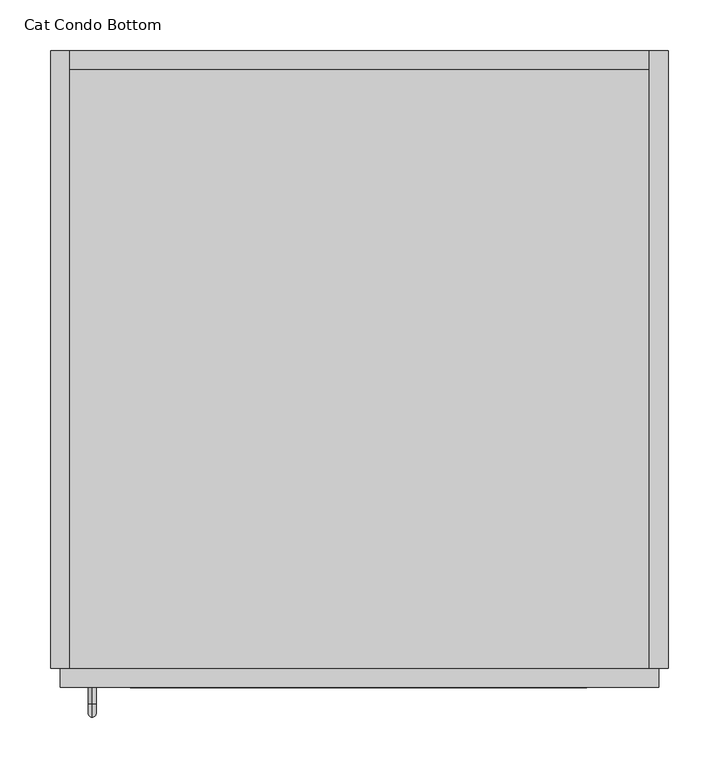
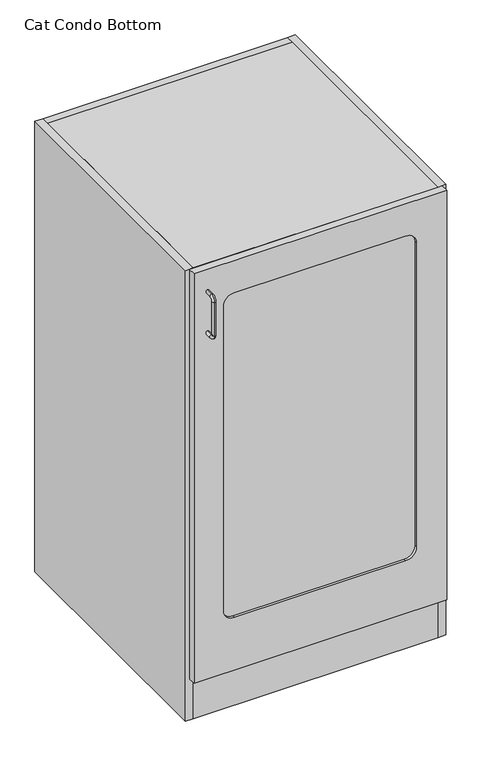
"""IFC4 building model written with IfcOpenShell, lengths in millimetres: proxy geometry, Cat Condo Bottom."""

from ifc_helpers import new_model, si_unit, point, frame, frame_2d, origin, origin_with_axes, place, context, project, spatial, polyline, circle_curve, ellipse_curve, trimmed, segment, composite_curve, outline, extrude, source, transform, mapped, element, save
from ifc_brep_helpers import plane_surface, cylinder_surface, revolved_surface, advanced_brep


def cat_condo_bottom_45c231bf(model_context):
    return source(origin(), model_context, "Body", "SolidModel", [
        advanced_brep(
        [(40.8996577, -19.05, 1056.5243154), (40.8996577, -19.05, 1064.3756846), (40.8996577, -35.2117768, 1064.3756846), (40.8996577, -35.2117768, 1056.5243154), (40.8996577, -48.3756846, 1051.2117768), (40.8996577, -40.5243154, 1051.2117768), (40.8996577, -48.3756846, 968.0882232), (40.8996577, -40.5243154, 968.0882232), (40.8996577, -35.2117768, 954.9243154), (40.8996577, -35.2117768, 962.7756846), (40.8996577, -19.05, 962.7756846), (40.8996577, -19.05, 954.9243154)],
        [
            (0, 1, circle_curve(frame((40.8996577, -19.05, 1060.45), z_axis=(0.0, 1.0, 0.0), x_axis=(0.0, 0.0, 1.0)), 3.9256846)),
            (1, 0, circle_curve(frame((40.8996577, -19.05, 1060.45), z_axis=(0.0, 1.0, 0.0), x_axis=(0.0, 0.0, 1.0)), 3.9256846)),
            (1, 2),
            (2, 3, circle_curve(frame((40.8996577, -35.2117768, 1060.45), z_axis=(0.0, 1.0, 0.0), x_axis=(0.0, 0.0, 1.0)), 3.9256846)),
            (3, 0),
            (3, 2, circle_curve(frame((40.8996577, -35.2117768, 1060.45), z_axis=(0.0, 1.0, 0.0), x_axis=(0.0, 0.0, 1.0)), 3.9256846)),
            (4, 5, circle_curve(frame((40.8996577, -44.45, 1051.2117768), z_axis=(0.0, 0.0, 1.0), x_axis=(0.0, -1.0, 0.0)), 3.9256846)),
            (5, 3, circle_curve(frame((40.8996577, -35.2117768, 1051.2117768), z_axis=(-1.0, 0.0, 0.0), x_axis=(0.0, 0.0, 1.0)), 5.3125387)),
            (2, 4, circle_curve(frame((40.8996577, -35.2117768, 1051.2117768), z_axis=(1.0, 0.0, 0.0), x_axis=(0.0, 0.0, 1.0)), 13.1639078)),
            (5, 4, circle_curve(frame((40.8996577, -44.45, 1051.2117768), z_axis=(0.0, 0.0, 1.0), x_axis=(0.0, -1.0, 0.0)), 3.9256846)),
            (4, 6),
            (6, 7, circle_curve(frame((40.8996577, -44.45, 968.0882232), z_axis=(0.0, 0.0, 1.0), x_axis=(0.0, -1.0, 0.0)), 3.9256846)),
            (7, 5),
            (7, 6, circle_curve(frame((40.8996577, -44.45, 968.0882232), z_axis=(0.0, 0.0, 1.0), x_axis=(0.0, -1.0, 0.0)), 3.9256846)),
            (8, 9, circle_curve(frame((40.8996577, -35.2117768, 958.85), z_axis=(0.0, -1.0, 0.0), x_axis=(0.0, 0.0, -1.0)), 3.9256846)),
            (9, 7, circle_curve(frame((40.8996577, -35.2117768, 968.0882232), z_axis=(-1.0, 0.0, 0.0), x_axis=(0.0, -1.0, 0.0)), 5.3125387)),
            (6, 8, circle_curve(frame((40.8996577, -35.2117768, 968.0882232), z_axis=(1.0, 0.0, 0.0), x_axis=(0.0, -1.0, 0.0)), 13.1639078)),
            (9, 8, circle_curve(frame((40.8996577, -35.2117768, 958.85), z_axis=(0.0, -1.0, 0.0), x_axis=(0.0, 0.0, -1.0)), 3.9256846)),
            (10, 11, circle_curve(frame((40.8996577, -19.05, 958.85), z_axis=(0.0, 1.0, 0.0), x_axis=(0.0, 0.0, -1.0)), 3.9256846)),
            (11, 10, circle_curve(frame((40.8996577, -19.05, 958.85), z_axis=(0.0, 1.0, 0.0), x_axis=(0.0, 0.0, -1.0)), 3.9256846)),
            (8, 11),
            (10, 9),
        ],
        [
            plane_surface(frame((40.8996577, -19.05, 1060.45), z_axis=(0.0, 1.0, 0.0), x_axis=(-1.0, 0.0, 0.0))),
            cylinder_surface(frame((40.8996577, -19.05, 1060.45), z_axis=(0.0, 1.0, 0.0), x_axis=(0.0, 0.0, 1.0)), 3.9256846),
            revolved_surface(trimmed(ellipse_curve(frame((40.8996577, -35.2117768, 1060.45), z_axis=(0.0, -1.0, 0.0), x_axis=(0.0, 0.0, 1.0)), 3.9256846, 3.9256846), [point((40.8996577, -35.2117768, 1056.5243154))], [point((40.8996577, -35.2117768, 1064.3756846))], True, "CARTESIAN"), (40.8996577, -35.2117768, 1051.2117768), (-1.0, 0.0, 0.0)),
            revolved_surface(trimmed(ellipse_curve(frame((40.8996577, -35.2117768, 1060.45), z_axis=(0.0, -1.0, 0.0), x_axis=(0.0, 0.0, 1.0)), 3.9256846, 3.9256846), [point((40.8996577, -35.2117768, 1064.3756846))], [point((40.8996577, -35.2117768, 1056.5243154))], True, "CARTESIAN"), (40.8996577, -35.2117768, 1051.2117768), (-1.0, 0.0, 0.0)),
            cylinder_surface(frame((40.8996577, -44.45, 1051.2117768), z_axis=(0.0, 0.0, 1.0), x_axis=(0.0, -1.0, 0.0)), 3.9256846),
            revolved_surface(trimmed(ellipse_curve(frame((40.8996577, -44.45, 968.0882232), z_axis=(0.0, 0.0, -1.0), x_axis=(0.0, -1.0, 0.0)), 3.9256846, 3.9256846), [point((40.8996577, -40.5243154, 968.0882232))], [point((40.8996577, -48.3756846, 968.0882232))], True, "CARTESIAN"), (40.8996577, -35.2117768, 968.0882232), (-1.0, 0.0, 0.0)),
            revolved_surface(trimmed(ellipse_curve(frame((40.8996577, -44.45, 968.0882232), z_axis=(0.0, 0.0, -1.0), x_axis=(0.0, -1.0, 0.0)), 3.9256846, 3.9256846), [point((40.8996577, -48.3756846, 968.0882232))], [point((40.8996577, -40.5243154, 968.0882232))], True, "CARTESIAN"), (40.8996577, -35.2117768, 968.0882232), (-1.0, 0.0, 0.0)),
            plane_surface(frame((40.8996577, -19.05, 958.85), z_axis=(0.0, 1.0, 0.0), x_axis=(-1.0, 0.0, 0.0))),
            cylinder_surface(frame((40.8996577, -35.2117768, 958.85), z_axis=(0.0, -1.0, 0.0), x_axis=(0.0, 0.0, -1.0)), 3.9256846),
        ],
        [
            (0, [[1, 2]]),
            (1, [[3, 4, 5, -2]]),
            (1, [[-5, 6, -3, -1]]),
            (2, [[7, 8, -4, 9]]),
            (3, [[10, -9, -6, -8]]),
            (4, [[11, 12, 13, -7]]),
            (4, [[-13, 14, -11, -10]]),
            (5, [[15, 16, -12, 17]]),
            (6, [[18, -17, -14, -16]]),
            (7, [[19, 20]]),
            (8, [[21, -19, 22, -15]]),
            (8, [[-22, -20, -21, -18]]),
        ],
    ),
        extrude(outline(polyline([(590.55, 590.55), (590.55, 0.0), (19.05, 0.0), (19.05, 590.55), (590.55, 590.55)])), frame((0.0, 0.0, 1095.375), z_axis=(0.0, 0.0, 1.0), x_axis=(1.0, 0.0, 0.0)), (0.0, 0.0, 1.0), 19.05),
        extrude(outline(composite_curve([segment(polyline([(1035.05, 504.03125), (1035.05, 103.98125)]), True, "CONTINUOUS"), segment(trimmed(circle_curve(frame_2d((1009.65, 103.98125)), 25.4), [point((1035.05, 103.98125))], [point((1009.65, 78.58125))], False, "CARTESIAN"), True, "CONTINUOUS"), segment(polyline([(1009.65, 78.58125), (257.175, 78.58125)]), True, "CONTINUOUS"), segment(trimmed(circle_curve(frame_2d((257.175, 103.98125)), 25.4), [point((257.175, 78.58125))], [point((231.775, 103.98125))], False, "CARTESIAN"), True, "CONTINUOUS"), segment(polyline([(231.775, 103.98125), (231.775, 504.03125)]), True, "CONTINUOUS"), segment(trimmed(circle_curve(frame_2d((257.175, 504.03125)), 25.4), [point((231.775, 504.03125))], [point((257.175, 529.43125))], False, "CARTESIAN"), True, "CONTINUOUS"), segment(polyline([(257.175, 529.43125), (1009.65, 529.43125)]), True, "CONTINUOUS"), segment(trimmed(circle_curve(frame_2d((1009.65, 504.03125)), 25.4), [point((1009.65, 529.43125))], [point((1035.05, 504.03125))], False, "CARTESIAN"), True, "CONTINUOUS")], self_intersect=False)), frame((0.0, 596.9, 0.0), z_axis=(0.0, 1.0, 0.0), x_axis=(0.0, 0.0, 1.0)), (0.0, 0.0, 1.0), 6.35),
        extrude(outline(polyline([(1114.425, 590.55), (1114.425, 19.05), (0.0, 19.05), (0.0, 590.55), (1114.425, 590.55)]), holes=[composite_curve([segment(polyline([(1009.65, 529.43125), (257.175, 529.43125)]), True, "CONTINUOUS"), segment(trimmed(circle_curve(frame_2d((257.175, 504.03125)), 25.4), [point((257.175, 529.43125))], [point((231.775, 504.03125))], True, "CARTESIAN"), True, "CONTINUOUS"), segment(polyline([(231.775, 504.03125), (231.775, 103.98125)]), True, "CONTINUOUS"), segment(trimmed(circle_curve(frame_2d((257.175, 103.98125)), 25.4), [point((231.775, 103.98125))], [point((257.175, 78.58125))], True, "CARTESIAN"), True, "CONTINUOUS"), segment(polyline([(257.175, 78.58125), (1009.65, 78.58125)]), True, "CONTINUOUS"), segment(trimmed(circle_curve(frame_2d((1009.65, 103.98125)), 25.4), [point((1009.65, 78.58125))], [point((1035.05, 103.98125))], True, "CARTESIAN"), True, "CONTINUOUS"), segment(polyline([(1035.05, 103.98125), (1035.05, 504.03125)]), True, "CONTINUOUS"), segment(trimmed(circle_curve(frame_2d((1009.65, 504.03125)), 25.4), [point((1035.05, 504.03125))], [point((1009.65, 529.43125))], True, "CARTESIAN"), True, "CONTINUOUS")], self_intersect=False)]), frame((0.0, 590.55, 0.0), z_axis=(0.0, 1.0, 0.0), x_axis=(0.0, 0.0, 1.0)), (0.0, 0.0, 1.0), 19.05),
        extrude(outline(polyline([(590.55, 590.55), (590.55, 166.6410111), (19.05, 374.65), (19.05, 590.55), (590.55, 590.55)])), frame((0.0, 0.0, 711.2), z_axis=(0.0, 0.0, 1.0), x_axis=(1.0, 0.0, 0.0)), (0.0, 0.0, 1.0), 19.05),
        extrude(outline(composite_curve([segment(polyline([(222.25, 590.55), (222.25, 101.6)]), True, "CONTINUOUS"), segment(trimmed(circle_curve(frame_2d((146.05, 101.6)), 76.2), [point((222.25, 101.6))], [point((146.05, 25.4))], False, "CARTESIAN"), True, "CONTINUOUS"), segment(polyline([(146.05, 25.4), (19.05, 25.4), (19.05, 590.55), (222.25, 590.55)]), True, "CONTINUOUS")], self_intersect=False)), frame((0.0, 0.0, 406.4), z_axis=(0.0, 0.0, 1.0), x_axis=(1.0, 0.0, 0.0)), (0.0, 0.0, 1.0), 19.05),
        extrude(outline(polyline([(590.55, 0.0), (19.05, 0.0), (19.05, 590.55), (590.55, 590.55), (590.55, 0.0)])), frame((0.0, 0.0, 101.6), z_axis=(0.0, 0.0, 1.0), x_axis=(1.0, 0.0, 0.0)), (0.0, 0.0, 1.0), 19.05),
        extrude(outline(polyline([(590.55, 19.05), (590.55, 0.0), (19.05, 0.0), (19.05, 19.05), (590.55, 19.05)])), origin_with_axes(), (0.0, 0.0, 1.0), 101.6),
        extrude(outline(polyline([(590.55, 609.6), (609.6, 609.6), (609.6, 0.0), (590.55, 0.0), (590.55, 609.6)])), origin_with_axes(), (0.0, 0.0, 1.0), 1114.425),
        extrude(outline(polyline([(19.05, 609.6), (19.05, 0.0), (0.0, 0.0), (0.0, 609.6), (19.05, 609.6)])), origin_with_axes(), (0.0, 0.0, 1.0), 1114.425),
        extrude(outline(composite_curve([segment(polyline([(1035.05, 504.03125), (1035.05, 103.98125)]), True, "CONTINUOUS"), segment(trimmed(circle_curve(frame_2d((1009.65, 103.98125)), 25.4), [point((1035.05, 103.98125))], [point((1009.65, 78.58125))], False, "CARTESIAN"), True, "CONTINUOUS"), segment(polyline([(1009.65, 78.58125), (257.175, 78.58125)]), True, "CONTINUOUS"), segment(trimmed(circle_curve(frame_2d((257.175, 103.98125)), 25.4), [point((257.175, 78.58125))], [point((231.775, 103.98125))], False, "CARTESIAN"), True, "CONTINUOUS"), segment(polyline([(231.775, 103.98125), (231.775, 504.03125)]), True, "CONTINUOUS"), segment(trimmed(circle_curve(frame_2d((257.175, 504.03125)), 25.4), [point((231.775, 504.03125))], [point((257.175, 529.43125))], False, "CARTESIAN"), True, "CONTINUOUS"), segment(polyline([(257.175, 529.43125), (1009.65, 529.43125)]), True, "CONTINUOUS"), segment(trimmed(circle_curve(frame_2d((1009.65, 504.03125)), 25.4), [point((1009.65, 529.43125))], [point((1035.05, 504.03125))], False, "CARTESIAN"), True, "CONTINUOUS")], self_intersect=False)), frame((0.0, -12.7, 0.0), z_axis=(0.0, 1.0, 0.0), x_axis=(0.0, 0.0, 1.0)), (0.0, 0.0, 1.0), 6.35),
        extrude(outline(polyline([(1114.425, 600.075), (1114.425, 9.525), (101.6, 9.525), (101.6, 600.075), (1114.425, 600.075)]), holes=[composite_curve([segment(polyline([(1035.05, 103.98125), (1035.05, 504.03125)]), True, "CONTINUOUS"), segment(trimmed(circle_curve(frame_2d((1009.65, 504.03125)), 25.4), [point((1035.05, 504.03125))], [point((1009.65, 529.43125))], True, "CARTESIAN"), True, "CONTINUOUS"), segment(polyline([(1009.65, 529.43125), (257.175, 529.43125)]), True, "CONTINUOUS"), segment(trimmed(circle_curve(frame_2d((257.175, 504.03125)), 25.4), [point((257.175, 529.43125))], [point((231.775, 504.03125))], True, "CARTESIAN"), True, "CONTINUOUS"), segment(polyline([(231.775, 504.03125), (231.775, 103.98125)]), True, "CONTINUOUS"), segment(trimmed(circle_curve(frame_2d((257.175, 103.98125)), 25.4), [point((231.775, 103.98125))], [point((257.175, 78.58125))], True, "CARTESIAN"), True, "CONTINUOUS"), segment(polyline([(257.175, 78.58125), (1009.65, 78.58125)]), True, "CONTINUOUS"), segment(trimmed(circle_curve(frame_2d((1009.65, 103.98125)), 25.4), [point((1009.65, 78.58125))], [point((1035.05, 103.98125))], True, "CARTESIAN"), True, "CONTINUOUS")], self_intersect=False)]), frame((0.0, -19.05, 0.0), z_axis=(0.0, 1.0, 0.0), x_axis=(0.0, 0.0, 1.0)), (0.0, 0.0, 1.0), 19.05),
    ])


if __name__ == "__main__":
    model = new_model("IFC4")
    model_context = context("Model", 3, world=origin())
    ifc_project = project(units=[si_unit("LENGTHUNIT", "METRE", prefix="MILLI")], contexts=[model_context])
    site = spatial("IfcSite", under=ifc_project)
    building = spatial("IfcBuilding", under=site)
    placement = place(None, origin())
    cat_condo_bottom_shape = cat_condo_bottom_45c231bf(model_context)
    element("IfcBuildingElementProxy", 1, Name="Cat Condo Bottom", ObjectType="Cat Condo Bottom", at=placement, inside=building, context=model_context, shape_type="MappedRepresentation", body=[
        mapped(cat_condo_bottom_shape, transform((0.0, 0.0, 0.0), x_axis=(1.0, 0.0, 0.0), y_axis=(0.0, 1.0, 0.0), z_axis=(0.0, 0.0, 1.0))),
    ])
    save(model, "model.ifc")
